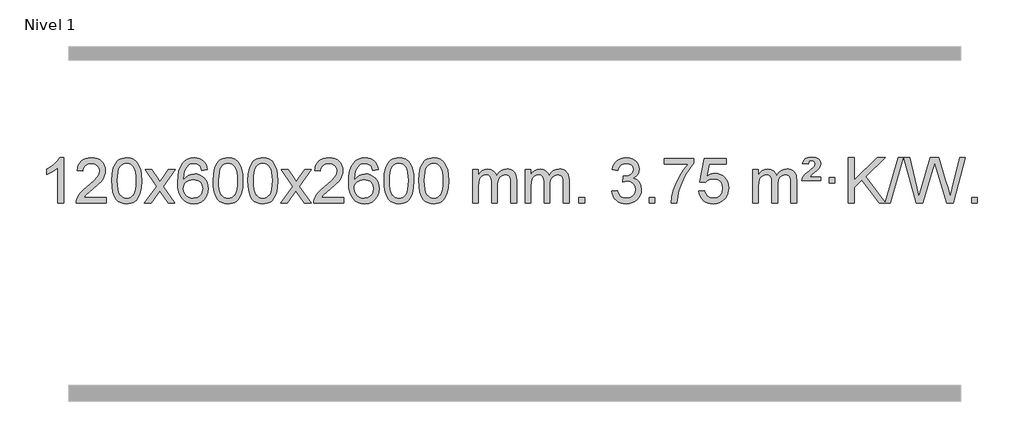
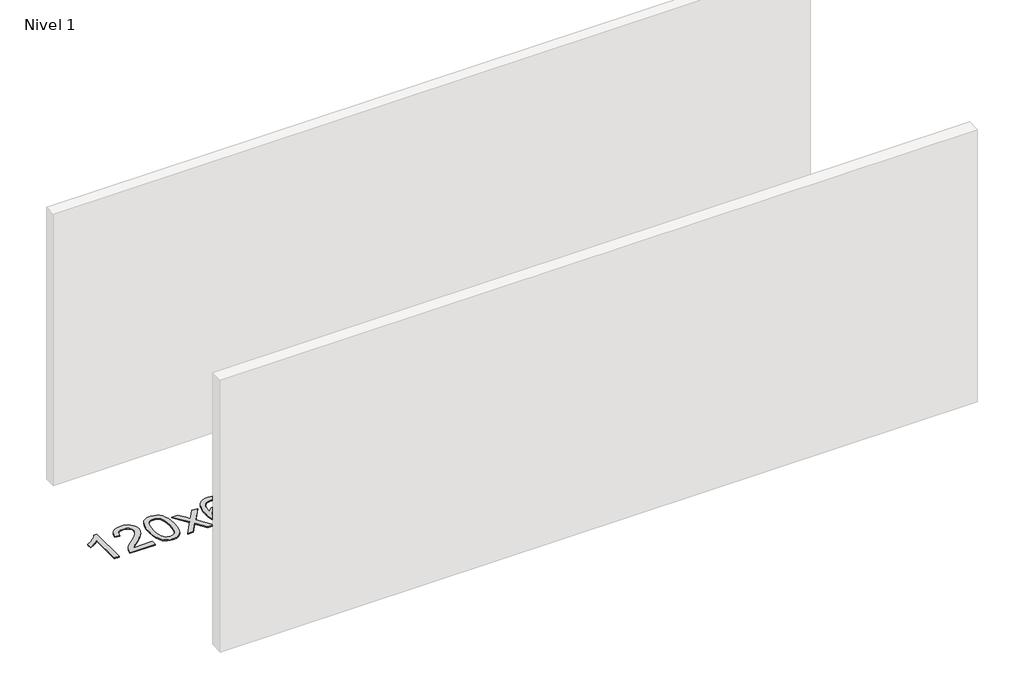
# One storey, part 6 of 12: 1 proxy.
"""IFC4 building model written with IfcOpenShell, lengths in millimetres."""

from ifc_helpers import new_model, si_unit, origin, origin_with_axes, place, context, project, spatial, polyline, outline, extrude, element, save

model = new_model("IFC4")

# Units and contexts
model_context = context("Model", 3, world=origin())
ifc_project = project(units=[si_unit("LENGTHUNIT", "METRE", prefix="MILLI")], contexts=[model_context])

# Site, building, storey
site = spatial("IfcSite", under=ifc_project)
building = spatial("IfcBuilding", under=site)
storey = spatial("IfcBuildingStorey", under=building, Name="Nivel 1", Elevation=0.0)

# Proxy
placement = place(None, origin())
element("IfcBuildingElementProxy", 1, Name="Texto de modelo 1", ObjectType="Texto de modelo 1", at=placement, inside=storey, context=model_context, shape_type="SweptSolid", body=[
    extrude(outline(polyline([(5124.5384212, -12393.579453), (5074.3102662, -12393.579453), (5074.3102662, -12080.4382987), (5053.3409924, -12097.3976587), (5026.7308615, -12114.3324932), (4973.853956, -12139.6918254), (4973.853956, -12092.2105225), (5013.3031686, -12070.7507395), (5047.479406, -12045.219729), (5074.4206308, -12018.0700378), (5092.1648057, -11991.7542124), (5124.5384212, -11991.7542124), (5124.5384212, -12393.579453)])), origin_with_axes(), (0.0, 0.0, 1.0), 10.0),
    extrude(outline(polyline([(5501.2495843, -12343.3512979), (5501.2495843, -12393.579453), (5237.5517702, -12393.579453), (5238.6554161, -12375.8965918), (5242.9473727, -12358.9494945), (5255.3327333, -12331.8856424), (5273.4570529, -12305.6311307), (5299.6747764, -12278.1503456), (5336.3403486, -12247.4076736), (5390.5416292, -12199.2641831), (5423.0623976, -12163.7267824), (5439.3227818, -12134.884834), (5444.7429098, -12106.8277005), (5439.6293501, -12081.6768347), (5424.2886709, -12060.7688747), (5400.707435, -12046.6789943), (5370.8722052, -12041.9823675), (5339.5409219, -12046.5686297), (5315.1993966, -12060.3274163), (5299.4908354, -12082.1796068), (5294.0584446, -12111.0460807), (5243.8302895, -12104.7675613), (5248.1498373, -12078.838012), (5256.0071836, -12056.1826125), (5267.4023284, -12036.8013627), (5282.3352717, -12020.6942627), (5300.462657, -12008.0329907), (5321.4411278, -11998.989225), (5345.270684, -11993.5629655), (5371.9513257, -11991.7542124), (5398.8710907, -11993.7653006), (5422.8294057, -11999.7985654), (5443.8262705, -12009.8540066), (5461.8616853, -12023.9316242), (5476.3470389, -12040.9890861), (5486.69372, -12059.9840598), (5492.9017287, -12080.9165453), (5494.9710649, -12103.7865427), (5492.7392475, -12127.8092369), (5486.0437952, -12151.4149983), (5474.1612067, -12175.4254299), (5456.3679809, -12200.6621347), (5428.0042791, -12230.7916701), (5384.4102626, -12269.4805933), (5326.6282639, -12317.795762), (5303.966733, -12343.3512979), (5501.2495843, -12343.3512979)])), origin_with_axes(), (0.0, 0.0, 1.0), 10.0),
    extrude(outline(polyline([(5551.4777394, -12195.9041943), (5555.1688221, -12131.5861588), (5566.2420701, -12080.2911459), (5584.5871189, -12041.2343407), (5596.4451819, -12026.0009605), (5610.0936039, -12013.6309284), (5625.5783702, -12004.0598651), (5642.9454661, -11997.2233914), (5683.3266464, -11991.7542124), (5714.277785, -11994.991574), (5741.9915619, -12004.7036586), (5765.1681276, -12020.5103217), (5782.5076323, -12042.0314184), (5795.6042314, -12069.0830078), (5806.05208, -12101.4811488), (5812.8946851, -12142.6226186), (5815.1755535, -12195.9041943), (5811.521259, -12259.8543477), (5800.5583756, -12311.0267333), (5782.3236913, -12350.1203266), (5770.4932195, -12365.3996922), (5756.8539945, -12377.8341036), (5741.3508341, -12387.4695462), (5723.928556, -12394.3520052), (5683.3266464, -12399.8579724), (5655.6619204, -12397.4667394), (5631.1364541, -12390.2930405), (5609.7502474, -12378.3368757), (5591.5033004, -12361.5982449), (5573.9921175, -12331.3399508), (5561.4841296, -12293.6381776), (5553.9793369, -12248.4929255), (5551.4777394, -12195.9041943)]), holes=[polyline([(5601.7058944, -12195.8060924), (5603.1774224, -12239.4706195), (5607.5920064, -12274.8148822), (5614.9496463, -12301.8388804), (5625.2503421, -12320.5426142), (5637.709279, -12333.2682656), (5651.5416421, -12342.3580165), (5666.7474312, -12347.8118671), (5683.3266464, -12349.6298173), (5699.9058617, -12347.8057357), (5715.1116508, -12342.3334911), (5728.9440138, -12333.2130833), (5741.4029507, -12320.4445124), (5751.7036466, -12301.7101217), (5759.0612865, -12274.6922549), (5763.4758705, -12239.3909118), (5764.9473984, -12195.8060924), (5763.5249214, -12153.2973278), (5759.2574902, -12118.5753989), (5752.145105, -12091.6403055), (5742.1877657, -12072.4920476), (5729.9372952, -12059.1440625), (5715.9455167, -12049.6097875), (5700.21243, -12043.8892225), (5682.7380352, -12041.9823675), (5666.2446591, -12043.6623619), (5651.2963874, -12048.7023452), (5637.89322, -12057.1023175), (5626.0351571, -12068.8622786), (5615.3911047, -12089.708925), (5607.7882101, -12117.8151094), (5603.2264734, -12153.1808319), (5601.7058944, -12195.8060924)])]), origin_with_axes(), (0.0, 0.0, 1.0), 10.0),
    extrude(outline(polyline([(5840.2896311, -12393.579453), (5947.6130718, -12245.2494325), (5846.5681504, -12098.4890419), (5906.9988995, -12098.4890419), (5955.7555266, -12169.122385), (5978.5151594, -12202.4770192), (5998.2336343, -12175.2047007), (6053.7592901, -12098.4890419), (6114.1900392, -12098.4890419), (6008.0438209, -12245.2494325), (6110.2659646, -12393.579453), (6049.8352155, -12393.579453), (5988.3253459, -12304.4048574), (5977.0436314, -12288.1199477), (5900.7203801, -12393.579453), (5840.2896311, -12393.579453)])), origin_with_axes(), (0.0, 0.0, 1.0), 10.0),
    extrude(outline(polyline([(6399.0778563, -12098.4890419), (6348.8497012, -12104.7675613), (6340.7562973, -12079.874213), (6329.8179393, -12062.8780648), (6307.0337811, -12047.2062918), (6279.4916824, -12041.9823675), (6256.1434384, -12045.0235253), (6234.1686206, -12054.1469988), (6215.2962742, -12073.3627017), (6199.8820186, -12099.8134171), (6189.4709581, -12137.227016), (6185.6081972, -12189.3313693), (6205.7558678, -12165.8237098), (6229.9011894, -12149.2567573), (6256.6952614, -12139.434308), (6284.7891831, -12136.1601582), (6308.922242, -12138.398107), (6331.1913654, -12145.1119534), (6351.5965534, -12156.3016975), (6370.137806, -12171.9673391), (6385.5459302, -12191.1769106), (6396.5517332, -12212.9984443), (6403.155215, -12237.4319401), (6405.3563756, -12264.4773982), (6401.2115718, -12300.4439945), (6388.7771604, -12333.786366), (6369.0832109, -12362.0642287), (6343.159793, -12382.8372987), (6312.184129, -12395.602804), (6277.3334413, -12399.8579724), (6247.3909126, -12397.0375437), (6220.3485203, -12388.5762579), (6196.2062643, -12374.4741147), (6174.9641448, -12354.7311143), (6157.6460999, -12328.5133908), (6145.2760678, -12294.9870783), (6137.8540485, -12254.1521768), (6135.3800421, -12206.0086864), (6138.1268943, -12152.0342663), (6146.367451, -12105.9693092), (6160.1017122, -12067.8138149), (6179.3296778, -12037.5677835), (6200.1701928, -12017.5243462), (6224.3339085, -12003.2076052), (6251.820825, -11994.6175606), (6282.6309421, -11991.7542124), (6305.7645882, -11993.5261773), (6326.7032051, -11998.8420722), (6345.4467927, -12007.7018969), (6361.9953511, -12020.1056515), (6375.9012906, -12035.6364031), (6386.7170212, -12053.8772186), (6394.4425431, -12074.8280983), (6399.0778563, -12098.4890419)]), holes=[polyline([(6185.6081972, -12263.6925832), (6188.514465, -12285.9494439), (6197.2332682, -12307.2007605), (6210.7713257, -12325.472233), (6228.1353558, -12338.7895612), (6249.0923668, -12346.9197533), (6273.4093667, -12349.6298173), (6306.5555345, -12344.0134855), (6320.4706709, -12336.9930708), (6332.6138425, -12327.1644901), (6342.4638829, -12314.9262824), (6349.499626, -12300.6769865), (6355.1282206, -12266.1451299), (6349.5732024, -12232.9989621), (6342.6294298, -12219.3781312), (6332.9081481, -12207.725469), (6320.7281883, -12198.3904634), (6306.4083817, -12191.7226022), (6271.3492275, -12186.3883133), (6238.2521107, -12191.7226022), (6210.5751219, -12207.725469), (6199.6520924, -12219.2248471), (6191.8499284, -12232.3858254), (6187.16863, -12247.2084042), (6185.6081972, -12263.6925832)])]), origin_with_axes(), (0.0, 0.0, 1.0), 10.0),
    extrude(outline(polyline([(6449.3060113, -12195.9041943), (6452.997094, -12131.5861588), (6464.0703421, -12080.2911459), (6482.4153909, -12041.2343407), (6494.2734539, -12026.0009605), (6507.9218759, -12013.6309284), (6523.4066422, -12004.0598651), (6540.7737381, -11997.2233914), (6581.1549184, -11991.7542124), (6612.1060569, -11994.991574), (6639.8198339, -12004.7036586), (6662.9963996, -12020.5103217), (6680.3359043, -12042.0314184), (6693.4325033, -12069.0830078), (6703.880352, -12101.4811488), (6710.7229571, -12142.6226186), (6713.0038255, -12195.9041943), (6709.349531, -12259.8543477), (6698.3866475, -12311.0267333), (6680.1519633, -12350.1203266), (6668.3214915, -12365.3996922), (6654.6822665, -12377.8341036), (6639.1791061, -12387.4695462), (6621.7568279, -12394.3520052), (6581.1549184, -12399.8579724), (6553.4901924, -12397.4667394), (6528.964726, -12390.2930405), (6507.5785194, -12378.3368757), (6489.3315724, -12361.5982449), (6471.8203894, -12331.3399508), (6459.3124016, -12293.6381776), (6451.8076089, -12248.4929255), (6449.3060113, -12195.9041943)]), holes=[polyline([(6499.5341664, -12195.8060924), (6501.0056944, -12239.4706195), (6505.4202783, -12274.8148822), (6512.7779182, -12301.8388804), (6523.0786141, -12320.5426142), (6535.537551, -12333.2682656), (6549.369914, -12342.3580165), (6564.5757032, -12347.8118671), (6581.1549184, -12349.6298173), (6597.7341337, -12347.8057357), (6612.9399228, -12342.3334911), (6626.7722858, -12333.2130833), (6639.2312227, -12320.4445124), (6649.5319186, -12301.7101217), (6656.8895585, -12274.6922549), (6661.3041424, -12239.3909118), (6662.7756704, -12195.8060924), (6661.3531934, -12153.2973278), (6657.0857622, -12118.5753989), (6649.973377, -12091.6403055), (6640.0160376, -12072.4920476), (6627.7655672, -12059.1440625), (6613.7737886, -12049.6097875), (6598.040702, -12043.8892225), (6580.5663072, -12041.9823675), (6564.0729311, -12043.6623619), (6549.1246594, -12048.7023452), (6535.721492, -12057.1023175), (6523.863429, -12068.8622786), (6513.2193766, -12089.708925), (6505.6164821, -12117.8151094), (6501.0547453, -12153.1808319), (6499.5341664, -12195.8060924)])]), origin_with_axes(), (0.0, 0.0, 1.0), 10.0),
    extrude(outline(polyline([(6756.9534612, -12195.9041943), (6760.6445439, -12131.5861588), (6771.7177919, -12080.2911459), (6790.0628407, -12041.2343407), (6801.9209037, -12026.0009605), (6815.5693257, -12013.6309284), (6831.054092, -12004.0598651), (6848.4211879, -11997.2233914), (6888.8023682, -11991.7542124), (6919.7535068, -11994.991574), (6947.4672837, -12004.7036586), (6970.6438494, -12020.5103217), (6987.9833541, -12042.0314184), (7001.0799532, -12069.0830078), (7011.5278018, -12101.4811488), (7018.3704069, -12142.6226186), (7020.6512753, -12195.9041943), (7016.9969808, -12259.8543477), (7006.0340974, -12311.0267333), (6987.7994131, -12350.1203266), (6975.9689413, -12365.3996922), (6962.3297163, -12377.8341036), (6946.8265559, -12387.4695462), (6929.4042778, -12394.3520052), (6888.8023682, -12399.8579724), (6861.1376422, -12397.4667394), (6836.6121759, -12390.2930405), (6815.2259692, -12378.3368757), (6796.9790222, -12361.5982449), (6779.4678393, -12331.3399508), (6766.9598514, -12293.6381776), (6759.4550587, -12248.4929255), (6756.9534612, -12195.9041943)]), holes=[polyline([(6807.1816162, -12195.8060924), (6808.6531442, -12239.4706195), (6813.0677282, -12274.8148822), (6820.4253681, -12301.8388804), (6830.7260639, -12320.5426142), (6843.1850008, -12333.2682656), (6857.0173639, -12342.3580165), (6872.223153, -12347.8118671), (6888.8023682, -12349.6298173), (6905.3815835, -12347.8057357), (6920.5873726, -12342.3334911), (6934.4197356, -12333.2130833), (6946.8786725, -12320.4445124), (6957.1793684, -12301.7101217), (6964.5370083, -12274.6922549), (6968.9515923, -12239.3909118), (6970.4231202, -12195.8060924), (6969.0006432, -12153.2973278), (6964.733212, -12118.5753989), (6957.6208268, -12091.6403055), (6947.6634875, -12072.4920476), (6935.413017, -12059.1440625), (6921.4212385, -12049.6097875), (6905.6881518, -12043.8892225), (6888.213757, -12041.9823675), (6871.7203809, -12043.6623619), (6856.7721092, -12048.7023452), (6843.3689418, -12057.1023175), (6831.5108789, -12068.8622786), (6820.8668265, -12089.708925), (6813.2639319, -12117.8151094), (6808.7021952, -12153.1808319), (6807.1816162, -12195.8060924)])]), origin_with_axes(), (0.0, 0.0, 1.0), 10.0),
    extrude(outline(polyline([(7045.7653528, -12393.579453), (7153.0887936, -12245.2494325), (7052.0438722, -12098.4890419), (7112.4746213, -12098.4890419), (7161.2312484, -12169.122385), (7183.9908812, -12202.4770192), (7203.7093561, -12175.2047007), (7259.2350119, -12098.4890419), (7319.665761, -12098.4890419), (7213.5195426, -12245.2494325), (7315.7416864, -12393.579453), (7255.3109373, -12393.579453), (7193.8010677, -12304.4048574), (7182.5193532, -12288.1199477), (7106.1961019, -12393.579453), (7045.7653528, -12393.579453)])), origin_with_axes(), (0.0, 0.0, 1.0), 10.0),
    extrude(outline(polyline([(7604.5535781, -12343.3512979), (7604.5535781, -12393.579453), (7340.8557639, -12393.579453), (7341.9594099, -12375.8965918), (7346.2513665, -12358.9494945), (7358.636727, -12331.8856424), (7376.7610466, -12305.6311307), (7402.9787702, -12278.1503456), (7439.6443423, -12247.4076736), (7493.845623, -12199.2641831), (7526.3663913, -12163.7267824), (7542.6267755, -12134.884834), (7548.0469036, -12106.8277005), (7542.9333439, -12081.6768347), (7527.5926647, -12060.7688747), (7504.0114288, -12046.6789943), (7474.176199, -12041.9823675), (7442.8449157, -12046.5686297), (7418.5033904, -12060.3274163), (7402.7948292, -12082.1796068), (7397.3624384, -12111.0460807), (7347.1342833, -12104.7675613), (7351.4538311, -12078.838012), (7359.3111773, -12056.1826125), (7370.7063221, -12036.8013627), (7385.6392655, -12020.6942627), (7403.7666508, -12008.0329907), (7424.7451215, -11998.989225), (7448.5746778, -11993.5629655), (7475.2553195, -11991.7542124), (7502.1750845, -11993.7653006), (7526.1333994, -11999.7985654), (7547.1302643, -12009.8540066), (7565.1656791, -12023.9316242), (7579.6510327, -12040.9890861), (7589.9977138, -12059.9840598), (7596.2057224, -12080.9165453), (7598.2750587, -12103.7865427), (7596.0432412, -12127.8092369), (7589.3477889, -12151.4149983), (7577.4652005, -12175.4254299), (7559.6719746, -12200.6621347), (7531.3082728, -12230.7916701), (7487.7142564, -12269.4805933), (7429.9322577, -12317.795762), (7407.2707268, -12343.3512979), (7604.5535781, -12343.3512979)])), origin_with_axes(), (0.0, 0.0, 1.0), 10.0),
    extrude(outline(polyline([(7912.2010279, -12098.4890419), (7861.9728728, -12104.7675613), (7853.8794689, -12079.874213), (7842.9411109, -12062.8780648), (7820.1569527, -12047.2062918), (7792.614854, -12041.9823675), (7769.26661, -12045.0235253), (7747.2917922, -12054.1469988), (7728.4194458, -12073.3627017), (7713.0051902, -12099.8134171), (7702.5941298, -12137.227016), (7698.7313688, -12189.3313693), (7718.8790394, -12165.8237098), (7743.024361, -12149.2567573), (7769.818433, -12139.434308), (7797.9123547, -12136.1601582), (7822.0454136, -12138.398107), (7844.314537, -12145.1119534), (7864.719725, -12156.3016975), (7883.2609776, -12171.9673391), (7898.6691018, -12191.1769106), (7909.6749049, -12212.9984443), (7916.2783867, -12237.4319401), (7918.4795473, -12264.4773982), (7914.3347435, -12300.4439945), (7901.900332, -12333.786366), (7882.2063825, -12362.0642287), (7856.2829646, -12382.8372987), (7825.3073006, -12395.602804), (7790.4566129, -12399.8579724), (7760.5140842, -12397.0375437), (7733.4716919, -12388.5762579), (7709.329436, -12374.4741147), (7688.0873164, -12354.7311143), (7670.7692715, -12328.5133908), (7658.3992394, -12294.9870783), (7650.9772202, -12254.1521768), (7648.5032137, -12206.0086864), (7651.250066, -12152.0342663), (7659.4906227, -12105.9693092), (7673.2248838, -12067.8138149), (7692.4528494, -12037.5677835), (7713.2933645, -12017.5243462), (7737.4570802, -12003.2076052), (7764.9439966, -11994.6175606), (7795.7541137, -11991.7542124), (7818.8877598, -11993.5261773), (7839.8263767, -11998.8420722), (7858.5699644, -12007.7018969), (7875.1185228, -12020.1056515), (7889.0244622, -12035.6364031), (7899.8401928, -12053.8772186), (7907.5657147, -12074.8280983), (7912.2010279, -12098.4890419)]), holes=[polyline([(7698.7313688, -12263.6925832), (7701.6376366, -12285.9494439), (7710.3564399, -12307.2007605), (7723.8944973, -12325.472233), (7741.2585275, -12338.7895612), (7762.2155385, -12346.9197533), (7786.5325383, -12349.6298173), (7819.6787061, -12344.0134855), (7833.5938426, -12336.9930708), (7845.7370141, -12327.1644901), (7855.5870545, -12314.9262824), (7862.6227977, -12300.6769865), (7868.2513922, -12266.1451299), (7862.6963741, -12232.9989621), (7855.7526014, -12219.3781312), (7846.0313197, -12207.725469), (7833.85136, -12198.3904634), (7819.5315533, -12191.7226022), (7784.4723992, -12186.3883133), (7751.3752823, -12191.7226022), (7723.6982936, -12207.725469), (7712.775264, -12219.2248471), (7704.9731, -12232.3858254), (7700.2918016, -12247.2084042), (7698.7313688, -12263.6925832)])]), origin_with_axes(), (0.0, 0.0, 1.0), 10.0),
    extrude(outline(polyline([(7962.429183, -12195.9041943), (7966.1202656, -12131.5861588), (7977.1935137, -12080.2911459), (7995.5385625, -12041.2343407), (8007.3966255, -12026.0009605), (8021.0450475, -12013.6309284), (8036.5298138, -12004.0598651), (8053.8969097, -11997.2233914), (8094.27809, -11991.7542124), (8125.2292286, -11994.991574), (8152.9430055, -12004.7036586), (8176.1195712, -12020.5103217), (8193.4590759, -12042.0314184), (8206.555675, -12069.0830078), (8217.0035236, -12101.4811488), (8223.8461287, -12142.6226186), (8226.1269971, -12195.9041943), (8222.4727026, -12259.8543477), (8211.5098192, -12311.0267333), (8193.2751349, -12350.1203266), (8181.4446631, -12365.3996922), (8167.8054381, -12377.8341036), (8152.3022777, -12387.4695462), (8134.8799996, -12394.3520052), (8094.27809, -12399.8579724), (8066.613364, -12397.4667394), (8042.0878976, -12390.2930405), (8020.701691, -12378.3368757), (8002.454744, -12361.5982449), (7984.9435611, -12331.3399508), (7972.4355732, -12293.6381776), (7964.9307805, -12248.4929255), (7962.429183, -12195.9041943)]), holes=[polyline([(8012.657338, -12195.8060924), (8014.128866, -12239.4706195), (8018.54345, -12274.8148822), (8025.9010899, -12301.8388804), (8036.2017857, -12320.5426142), (8048.6607226, -12333.2682656), (8062.4930856, -12342.3580165), (8077.6988748, -12347.8118671), (8094.27809, -12349.6298173), (8110.8573053, -12347.8057357), (8126.0630944, -12342.3334911), (8139.8954574, -12333.2130833), (8152.3543943, -12320.4445124), (8162.6550902, -12301.7101217), (8170.0127301, -12274.6922549), (8174.427314, -12239.3909118), (8175.898842, -12195.8060924), (8174.476365, -12153.2973278), (8170.2089338, -12118.5753989), (8163.0965486, -12091.6403055), (8153.1392093, -12072.4920476), (8140.8887388, -12059.1440625), (8126.8969603, -12049.6097875), (8111.1638736, -12043.8892225), (8093.6894788, -12041.9823675), (8077.1961027, -12043.6623619), (8062.247831, -12048.7023452), (8048.8446636, -12057.1023175), (8036.9866007, -12068.8622786), (8026.3425483, -12089.708925), (8018.7396537, -12117.8151094), (8014.1779169, -12153.1808319), (8012.657338, -12195.8060924)])]), origin_with_axes(), (0.0, 0.0, 1.0), 10.0),
    extrude(outline(polyline([(8270.0766328, -12195.9041943), (8273.7677155, -12131.5861588), (8284.8409635, -12080.2911459), (8303.1860124, -12041.2343407), (8315.0440753, -12026.0009605), (8328.6924974, -12013.6309284), (8344.1772637, -12004.0598651), (8361.5443595, -11997.2233914), (8401.9255399, -11991.7542124), (8432.8766784, -11994.991574), (8460.5904554, -12004.7036586), (8483.7670211, -12020.5103217), (8501.1065258, -12042.0314184), (8514.2031248, -12069.0830078), (8524.6509735, -12101.4811488), (8531.4935786, -12142.6226186), (8533.7744469, -12195.9041943), (8530.1201525, -12259.8543477), (8519.157269, -12311.0267333), (8500.9225848, -12350.1203266), (8489.0921129, -12365.3996922), (8475.452888, -12377.8341036), (8459.9497276, -12387.4695462), (8442.5274494, -12394.3520052), (8401.9255399, -12399.8579724), (8374.2608138, -12397.4667394), (8349.7353475, -12390.2930405), (8328.3491408, -12378.3368757), (8310.1021939, -12361.5982449), (8292.5910109, -12331.3399508), (8280.0830231, -12293.6381776), (8272.5782304, -12248.4929255), (8270.0766328, -12195.9041943)]), holes=[polyline([(8320.3047879, -12195.8060924), (8321.7763158, -12239.4706195), (8326.1908998, -12274.8148822), (8333.5485397, -12301.8388804), (8343.8492356, -12320.5426142), (8356.3081725, -12333.2682656), (8370.1405355, -12342.3580165), (8385.3463246, -12347.8118671), (8401.9255399, -12349.6298173), (8418.5047551, -12347.8057357), (8433.7105442, -12342.3334911), (8447.5429073, -12333.2130833), (8460.0018442, -12320.4445124), (8470.30254, -12301.7101217), (8477.6601799, -12274.6922549), (8482.0747639, -12239.3909118), (8483.5462919, -12195.8060924), (8482.1238148, -12153.2973278), (8477.8563837, -12118.5753989), (8470.7439984, -12091.6403055), (8460.7866591, -12072.4920476), (8448.5361887, -12059.1440625), (8434.5444101, -12049.6097875), (8418.8113234, -12043.8892225), (8401.3369287, -12041.9823675), (8384.8435526, -12043.6623619), (8369.8952808, -12048.7023452), (8356.4921135, -12057.1023175), (8344.6340505, -12068.8622786), (8333.9899981, -12089.708925), (8326.3871035, -12117.8151094), (8321.8253668, -12153.1808319), (8320.3047879, -12195.8060924)])]), origin_with_axes(), (0.0, 0.0, 1.0), 10.0),
    extrude(outline(polyline([(8747.244106, -12393.579453), (8747.244106, -12098.4890419), (8797.4722611, -12098.4890419), (8797.4722611, -12147.0494653), (8812.5799483, -12124.7435537), (8832.0041177, -12107.2691589), (8855.0825815, -12095.9751816), (8881.1531522, -12092.2105225), (8909.0876584, -12096.048758), (8931.4794092, -12107.5634645), (8948.2057772, -12125.9943524), (8959.1441352, -12150.5811324), (8977.4523959, -12125.0439906), (8998.3358304, -12106.803175), (9021.794439, -12095.8586857), (9047.8282215, -12092.2105225), (9067.9360383, -12093.7280358), (9085.585177, -12098.2805755), (9100.7756377, -12105.8681416), (9113.5074204, -12116.4907342), (9123.5720587, -12130.2709806), (9130.761086, -12147.3315082), (9135.0745024, -12167.6723168), (9136.5123078, -12191.2934066), (9136.5123078, -12393.579453), (9086.2841528, -12393.579453), (9086.2841528, -12212.875817), (9085.1191931, -12187.8230531), (9081.6243142, -12170.9372695), (9075.0760146, -12159.3735121), (9064.7507933, -12150.2868268), (9051.4702533, -12144.4007149), (9036.0559977, -12142.4386776), (9008.8449928, -12147.4663982), (8986.6617085, -12162.54956), (8978.0563355, -12174.1194488), (8971.9096405, -12188.7182326), (8966.9922845, -12227.0024856), (8966.9922845, -12393.579453), (8916.7641294, -12393.579453), (8916.7641294, -12207.2840106), (8913.8578616, -12178.8835206), (8905.1390583, -12158.6254854), (8889.7983791, -12146.4853796), (8867.0264836, -12142.4386776), (8847.6758907, -12145.1364789), (8829.8458767, -12153.2298828), (8815.1305968, -12166.5226856), (8805.1242066, -12184.8186835), (8799.3852475, -12210.2025411), (8797.4722611, -12244.7589232), (8797.4722611, -12393.579453), (8747.244106, -12393.579453)])), origin_with_axes(), (0.0, 0.0, 1.0), 10.0),
    extrude(outline(polyline([(9211.8545404, -12393.579453), (9211.8545404, -12098.4890419), (9262.0826955, -12098.4890419), (9262.0826955, -12147.0494653), (9277.1903828, -12124.7435537), (9296.6145521, -12107.2691589), (9319.693016, -12095.9751816), (9345.7635867, -12092.2105225), (9373.6980929, -12096.048758), (9396.0898436, -12107.5634645), (9412.8162117, -12125.9943524), (9423.7545697, -12150.5811324), (9442.0628303, -12125.0439906), (9462.9462649, -12106.803175), (9486.4048734, -12095.8586857), (9512.438656, -12092.2105225), (9532.5464727, -12093.7280358), (9550.1956114, -12098.2805755), (9565.3860721, -12105.8681416), (9578.1178548, -12116.4907342), (9588.1824931, -12130.2709806), (9595.3715204, -12147.3315082), (9599.6849368, -12167.6723168), (9601.1227423, -12191.2934066), (9601.1227423, -12393.579453), (9550.8945872, -12393.579453), (9550.8945872, -12212.875817), (9549.7296276, -12187.8230531), (9546.2347486, -12170.9372695), (9539.6864491, -12159.3735121), (9529.3612278, -12150.2868268), (9516.0806877, -12144.4007149), (9500.6664321, -12142.4386776), (9473.4554272, -12147.4663982), (9451.2721429, -12162.54956), (9442.6667699, -12174.1194488), (9436.5200749, -12188.7182326), (9431.6027189, -12227.0024856), (9431.6027189, -12393.579453), (9381.3745638, -12393.579453), (9381.3745638, -12207.2840106), (9378.4682961, -12178.8835206), (9369.7494928, -12158.6254854), (9354.4088136, -12146.4853796), (9331.6369181, -12142.4386776), (9312.2863251, -12145.1364789), (9294.4563111, -12153.2298828), (9279.7410313, -12166.5226856), (9269.734641, -12184.8186835), (9263.9956819, -12210.2025411), (9262.0826955, -12244.7589232), (9262.0826955, -12393.579453), (9211.8545404, -12393.579453)])), origin_with_axes(), (0.0, 0.0, 1.0), 10.0),
    extrude(outline(polyline([(9689.0220137, -12393.579453), (9689.0220137, -12343.3512979), (9739.2501687, -12343.3512979), (9739.2501687, -12393.579453), (9689.0220137, -12393.579453)])), origin_with_axes(), (0.0, 0.0, 1.0), 10.0),
    extrude(outline(polyline([(9977.8339053, -12286.8446235), (10028.0620604, -12280.5661041), (10039.3069867, -12312.1303793), (10055.7758374, -12333.4430095), (10078.2779528, -12345.5831154), (10107.6226732, -12349.6298173), (10142.056428, -12344.0625364), (10156.3302494, -12337.1034354), (10168.6420335, -12327.3606939), (10185.6381817, -12302.4428201), (10191.3035644, -12272.2274455), (10185.6872326, -12243.5449126), (10168.8382372, -12220.2825078), (10143.3317522, -12204.8682522), (10111.7429516, -12199.730167), (10076.5243819, -12205.2238715), (10082.1161882, -12154.9957164), (10090.1605412, -12155.5843276), (10120.2532884, -12151.979084), (10147.157725, -12141.1633534), (10158.230973, -12132.9841103), (10166.1404359, -12122.8673555), (10170.8861137, -12110.8130888), (10172.4680063, -12096.8213102), (10167.881744, -12075.1285352), (10154.1229574, -12057.5315131), (10133.1291582, -12045.8696539), (10106.8378583, -12041.9823675), (10080.4975075, -12045.9064421), (10058.964148, -12057.6786659), (10043.2433241, -12077.299039), (10034.3405798, -12104.7675613), (9984.1124247, -12098.4890419), (9990.0659817, -12074.5092672), (9998.9012809, -12053.3867093), (10010.6183225, -12035.1213683), (10025.2171063, -12019.713244), (10042.23778, -12007.4811677), (10061.2204909, -11998.7439703), (10082.1652392, -11993.5016519), (10105.0720247, -11991.7542124), (10136.6485627, -11995.2000404), (10165.6499266, -12005.5375245), (10190.1018166, -12021.8469596), (10208.0299325, -12043.2086408), (10219.0296041, -12067.8199463), (10222.6961613, -12093.8782543), (10219.2135451, -12118.1584659), (10208.7656964, -12140.1823347), (10191.4997681, -12158.9443165), (10167.562913, -12173.4388671), (10199.0045608, -12186.1430586), (10222.3037539, -12207.77452), (10236.7247281, -12237.1560286), (10241.5317195, -12273.1103623), (10239.1282238, -12298.5923218), (10231.9177367, -12322.0631931), (10219.9002582, -12343.5229762), (10203.0757883, -12362.971671), (10182.5786298, -12379.1094278), (10159.5430855, -12390.636397), (10133.9691555, -12397.5525785), (10105.8568397, -12399.8579724), (10080.4484565, -12397.8898037), (10057.2964163, -12391.9852977), (10036.400719, -12382.1444543), (10017.7613645, -12368.3672736), (10002.1325111, -12351.4630959), (9990.2683168, -12332.2412617), (9982.1687815, -12310.7017708), (9977.8339053, -12286.8446235)])), origin_with_axes(), (0.0, 0.0, 1.0), 10.0),
    extrude(outline(polyline([(10310.5954327, -12393.579453), (10310.5954327, -12343.3512979), (10360.8235878, -12343.3512979), (10360.8235878, -12393.579453), (10310.5954327, -12393.579453)])), origin_with_axes(), (0.0, 0.0, 1.0), 10.0),
    extrude(outline(polyline([(10442.4443398, -12048.2608869), (10442.4443398, -11998.0327318), (10706.1421539, -11998.0327318), (10706.1421539, -12038.646904), (10668.5568767, -12086.214046), (10631.3394816, -12146.7061088), (10598.5121449, -12214.6048623), (10574.0970431, -12284.3920768), (10562.1286155, -12336.6067947), (10555.4576887, -12393.579453), (10505.2295336, -12393.579453), (10510.6619244, -12341.8061935), (10525.1932632, -12280.2717985), (10548.4311426, -12215.0463207), (10579.983155, -12152.1998132), (10616.8204055, -12095.3865704), (10655.9139988, -12048.2608869), (10442.4443398, -12048.2608869)])), origin_with_axes(), (0.0, 0.0, 1.0), 10.0),
    extrude(outline(polyline([(10750.0917896, -12286.8446235), (10800.3199447, -12280.5661041), (10809.54152, -12310.7201649), (10825.630226, -12332.3148381), (10848.5124861, -12345.3010725), (10878.1147239, -12349.6298173), (10897.2445877, -12348.1245668), (10914.1181085, -12343.6088153), (10928.7352865, -12336.0825628), (10941.0961215, -12325.5458094), (10950.9247021, -12312.519721), (10957.9451169, -12297.5254641), (10963.5614487, -12261.6324441), (10958.3007361, -12227.8363514), (10951.7248455, -12213.9181493), (10942.5185986, -12201.9865099), (10930.6513385, -12192.4154467), (10916.0924086, -12185.5789729), (10878.8995389, -12180.1097939), (10854.533488, -12182.2925604), (10834.8027504, -12188.8408599), (10819.0451382, -12198.8717757), (10806.5984641, -12211.5023908), (10756.370309, -12205.2238715), (10800.3199447, -11998.0327318), (10994.9540456, -11998.0327318), (10994.9540456, -12048.2608869), (10840.934117, -12048.2608869), (10819.4498084, -12158.919791), (10837.1755892, -12146.2155994), (10855.3305657, -12137.1411769), (10873.9147378, -12131.6965234), (10892.9281056, -12129.8816388), (10917.3891926, -12132.1318504), (10939.8575855, -12138.882485), (10960.3332842, -12150.1335427), (10978.8162887, -12165.8850234), (10994.1171141, -12185.1743027), (11005.046275, -12207.038756), (11011.6037716, -12231.4783832), (11013.7896038, -12258.4931844), (11011.8214351, -12284.5147042), (11005.9169291, -12308.7213394), (10996.0760857, -12331.1130902), (10982.298905, -12351.6899565), (10961.4277331, -12372.7634634), (10937.073945, -12387.8159684), (10909.2375407, -12396.8474714), (10877.9185202, -12399.8579724), (10851.998168, -12397.9235262), (10828.5855447, -12392.1201877), (10807.6806503, -12382.447957), (10789.2834848, -12368.9068338), (10773.9765281, -12352.1712688), (10762.3422601, -12332.915712), (10754.3806805, -12311.1401636), (10750.0917896, -12286.8446235)])), origin_with_axes(), (0.0, 0.0, 1.0), 10.0),
    extrude(outline(polyline([(11227.2592628, -12393.579453), (11227.2592628, -12098.4890419), (11277.4874179, -12098.4890419), (11277.4874179, -12147.0494653), (11292.5951052, -12124.7435537), (11312.0192745, -12107.2691589), (11335.0977383, -12095.9751816), (11361.1683091, -12092.2105225), (11389.1028152, -12096.048758), (11411.494566, -12107.5634645), (11428.2209341, -12125.9943524), (11439.159292, -12150.5811324), (11457.4675527, -12125.0439906), (11478.3509873, -12106.803175), (11501.8095958, -12095.8586857), (11527.8433783, -12092.2105225), (11547.9511951, -12093.7280358), (11565.6003338, -12098.2805755), (11580.7907945, -12105.8681416), (11593.5225772, -12116.4907342), (11603.5872155, -12130.2709806), (11610.7762428, -12147.3315082), (11615.0896592, -12167.6723168), (11616.5274647, -12191.2934066), (11616.5274647, -12393.579453), (11566.2993096, -12393.579453), (11566.2993096, -12212.875817), (11565.1343499, -12187.8230531), (11561.639471, -12170.9372695), (11555.0911715, -12159.3735121), (11544.7659501, -12150.2868268), (11531.4854101, -12144.4007149), (11516.0711545, -12142.4386776), (11488.8601496, -12147.4663982), (11466.6768653, -12162.54956), (11458.0714923, -12174.1194488), (11451.9247973, -12188.7182326), (11447.0074413, -12227.0024856), (11447.0074413, -12393.579453), (11396.7792862, -12393.579453), (11396.7792862, -12207.2840106), (11393.8730184, -12178.8835206), (11385.1542152, -12158.6254854), (11369.813536, -12146.4853796), (11347.0416405, -12142.4386776), (11327.6910475, -12145.1364789), (11309.8610335, -12153.2298828), (11295.1457537, -12166.5226856), (11285.1393634, -12184.8186835), (11279.4004043, -12210.2025411), (11277.4874179, -12244.7589232), (11277.4874179, -12393.579453), (11227.2592628, -12393.579453)])), origin_with_axes(), (0.0, 0.0, 1.0), 10.0),
    extrude(outline(polyline([(11660.4771003, -12192.6668327), (11664.3030731, -12176.8479069), (11672.6417317, -12160.9799302), (11694.1505656, -12135.8413272), (11726.1072483, -12108.1030247), (11770.2530877, -12070.726214), (11777.3899984, -12059.1992448), (11779.7689686, -12047.3779701), (11777.8805077, -12035.2869152), (11772.215125, -12025.5012541), (11762.8463969, -12019.026531), (11749.8478997, -12016.8682899), (11737.4134883, -12018.4869707), (11728.5597949, -12023.343013), (11722.1341227, -12032.8098431), (11716.9837748, -12048.2608869), (11666.7556197, -12041.9823675), (11677.5958759, -12016.7701881), (11694.224142, -11999.2099542), (11717.9893189, -11988.9092583), (11750.2403072, -11985.475693), (11786.0229626, -11989.6082341), (11810.7691581, -12002.0058573), (11825.1901323, -12020.3386434), (11829.9971237, -12042.2766731), (11825.9013708, -12065.1834586), (11813.6141122, -12086.8149199), (11793.0862969, -12106.6314968), (11756.6169284, -12134.6886303), (11731.0123416, -12161.2742358), (11829.9971237, -12161.2742358), (11829.9971237, -12192.6668327), (11660.4771003, -12192.6668327)])), origin_with_axes(), (0.0, 0.0, 1.0), 10.0),
    extrude(outline(polyline([(11905.3393563, -12217.7809102), (11905.3393563, -12167.5527552), (11955.5675114, -12167.5527552), (11955.5675114, -12217.7809102), (11905.3393563, -12217.7809102)])), origin_with_axes(), (0.0, 0.0, 1.0), 10.0),
    extrude(outline(polyline([(12346.2091394, -12393.579453), (12192.7778219, -12190.9009991), (12125.0875348, -12255.4520265), (12125.0875348, -12393.579453), (12074.8593797, -12393.579453), (12074.8593797, -11991.7542124), (12125.0875348, -11991.7542124), (12125.0875348, -12188.4484525), (12331.1014521, -11991.7542124), (12401.3423877, -11991.7542124), (12228.388799, -12156.9577537), (12403.0424089, -12387.5349332), (12514.3557366, -11991.7542124), (12559.6787984, -11991.7542124), (12446.6654495, -12393.579453), (12407.6209071, -12393.579453), (12401.3423877, -12393.579453), (12346.2091394, -12393.579453)])), origin_with_axes(), (0.0, 0.0, 1.0), 10.0),
    extrude(outline(polyline([(12674.1636753, -12393.579453), (12564.5838917, -11991.7542124), (12616.3816766, -11991.7542124), (12679.9516854, -12255.844434), (12699.5720585, -12337.3670841), (12720.5658576, -12265.2622131), (12800.2245723, -11991.7542124), (12874.8800919, -11991.7542124), (12932.7601925, -12190.0180823), (12957.5554389, -12263.5944814), (12975.8269114, -12337.3670841), (12994.8586732, -12258.1988788), (13059.0172932, -11991.7542124), (13110.8150781, -11991.7542124), (13001.1371926, -12393.579453), (12947.4754723, -12393.579453), (12851.1394405, -12083.5775584), (12837.6994849, -12040.3146358), (12822.5917976, -12092.4067263), (12734.7906281, -12393.579453), (12674.1636753, -12393.579453)])), origin_with_axes(), (0.0, 0.0, 1.0), 10.0),
    extrude(outline(polyline([(13167.3217526, -12393.579453), (13167.3217526, -12343.3512979), (13217.5499077, -12343.3512979), (13217.5499077, -12393.579453), (13167.3217526, -12393.579453)])), origin_with_axes(), (0.0, 0.0, 1.0), 10.0),
])

save(model, "model.ifc")
